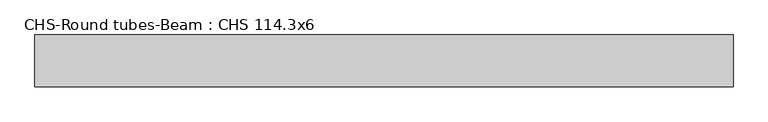
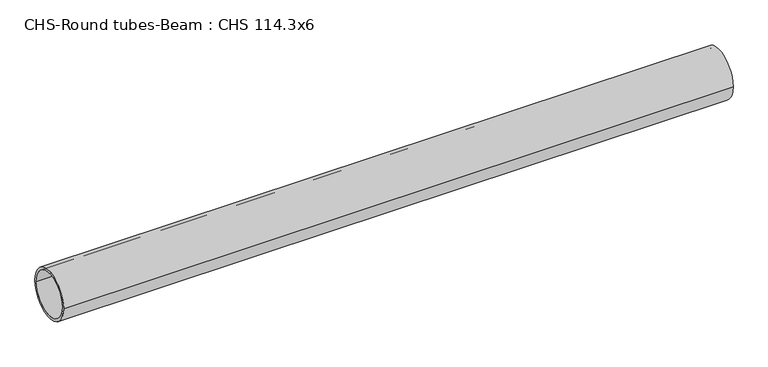
"""IFC4 building model written with IfcOpenShell, lengths in millimetres: beam geometry, CHS-Round tubes-Beam : CHS 114.3x6."""

from ifc_helpers import new_model, si_unit, point, frame, origin, origin_2d, place, context, project, spatial, circle_curve, trimmed, segment, composite_curve, outline, extrude, source, transform, mapped, element, save


def chs_round_tubes_beam_chs_114_3x6_eb58477a(model_context):
    return source(origin(), model_context, "Body", "SweptSolid", [
        extrude(outline(composite_curve([segment(trimmed(circle_curve(origin_2d(), 57.15), [point((57.15, 0.0))], [point((-57.15, 0.0))], False, "CARTESIAN"), True, "CONTINUOUS"), segment(trimmed(circle_curve(origin_2d(), 57.15), [point((-57.15, 0.0))], [point((57.15, 0.0))], False, "CARTESIAN"), True, "CONTINUOUS")], self_intersect=False), holes=[composite_curve([segment(trimmed(circle_curve(origin_2d(), 51.15), [point((51.15, 0.0))], [point((-51.15, 0.0))], True, "CARTESIAN"), True, "CONTINUOUS"), segment(trimmed(circle_curve(origin_2d(), 51.15), [point((-51.15, 0.0))], [point((51.15, 0.0))], True, "CARTESIAN"), True, "CONTINUOUS")], self_intersect=False)]), frame((-745.4807119, 0.0, 0.0), z_axis=(1.0, 0.0, 0.0), x_axis=(0.0, 1.0, 0.0)), (0.0, 0.0, 1.0), 1541.7320963),
    ])


if __name__ == "__main__":
    model = new_model("IFC4")
    model_context = context("Model", 3, world=origin())
    ifc_project = project(units=[si_unit("LENGTHUNIT", "METRE", prefix="MILLI")], contexts=[model_context])
    site = spatial("IfcSite", under=ifc_project)
    building = spatial("IfcBuilding", under=site)
    placement = place(None, origin())
    chs_round_tubes_beam_chs_114_3x6_shape = chs_round_tubes_beam_chs_114_3x6_eb58477a(model_context)
    element("IfcBeam", 1, ObjectType="CHS-Round tubes-Beam : CHS 114.3x6", at=placement, inside=building, context=model_context, shape_type="MappedRepresentation", body=[
        mapped(chs_round_tubes_beam_chs_114_3x6_shape, transform((0.0, 0.0, 0.0), x_axis=(1.0, 0.0, 0.0), y_axis=(0.0, 1.0, 0.0), z_axis=(0.0, 0.0, 1.0))),
    ])
    save(model, "model.ifc")
